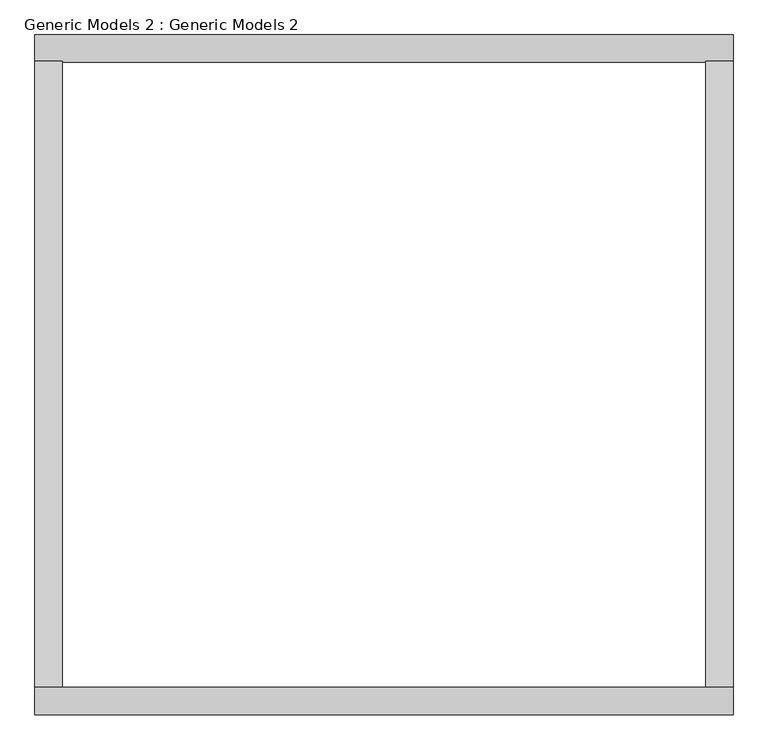
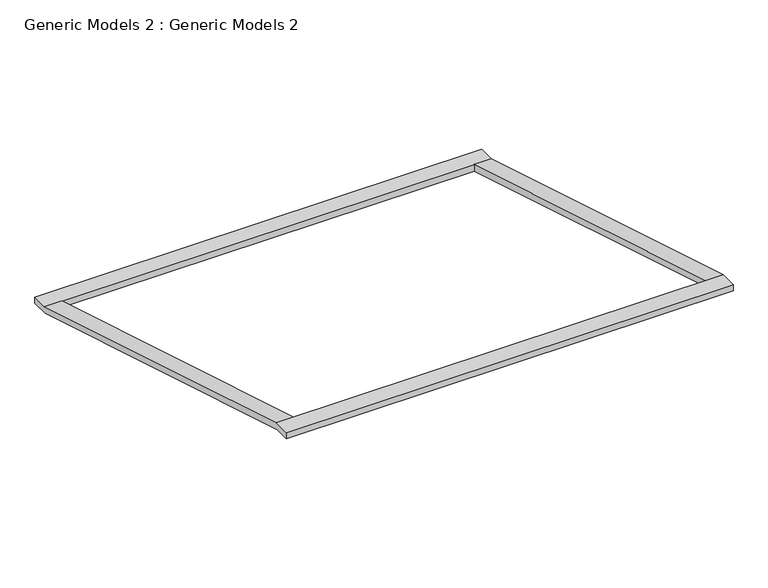
"""IFC4 building model written with IfcOpenShell, lengths in millimetres: proxy geometry, Generic Models 2 : Generic Models 2."""

from ifc_helpers import new_model, si_unit, origin, place, context, project, spatial, faceted_brep, source, transform, mapped, element, save


def generic_models_2_generic_models_2_a8a5c699(model_context):
    return source(origin(), model_context, "Body", "Brep", [
        faceted_brep([(-6932.1694663, 8357.0487531, 2820.0), (-6932.1694663, 8357.0487531, 2650.0), (-6932.1694663, 7901.0093292, 2650.0), (-6932.1694663, -2584.9906708, 5799.3953426), (-6932.1694663, -2996.9512469, 5799.3953426), (-6932.1694663, -2996.9512469, 5969.3953426), (-6932.1694663, -2542.9512469, 5969.3953426), (-6932.1694663, -2542.9512469, 5964.2710697), (-6932.1694663, 7925.987343, 2820.0), (4721.8305337, 8357.0487531, 2650.0), (4721.8305337, 8357.0487531, 2820.0), (4721.8305337, 7925.987343, 2820.0), (4721.8305337, -2542.9512469, 5964.2710697), (4721.8305337, -2542.9512469, 5969.3953426), (4721.8305337, -2996.9512469, 5969.3953426), (4721.8305337, -2996.9512469, 5799.3953426), (4721.8305337, -2584.9906708, 5799.3953426), (4721.8305337, 7901.0093292, 2650.0), (-6478.1694663, 7923.0487531, 2650.0), (-6478.1694663, 7923.0487531, 2800.0), (4267.8305337, 7923.0487531, 2800.0), (4267.8305337, 7923.0487531, 2650.0), (-6912.1694663, 7923.0487531, 2800.0), (-6498.1694663, 7923.0487531, 2800.0), (-6498.1694663, 7923.0487531, 2650.0), (-6912.1694663, 7923.0487531, 2650.0), (4287.8305337, 7923.0487531, 2800.0), (4701.8305337, 7923.0487531, 2800.0), (4701.8305337, 7923.0487531, 2650.0), (4287.8305337, 7923.0487531, 2650.0), (4701.8305337, 7901.0093292, 2650.0), (4701.8305337, 7903.0487531, 2650.0), (4287.8305337, 7903.0487531, 2650.0), (4287.8305337, 7901.0093292, 2650.0), (4267.8305337, 7901.0093292, 2650.0), (4267.8305337, 7903.0487531, 2650.0), (-6478.1694663, 7903.0487531, 2650.0), (-6478.1694663, 7901.0093292, 2650.0), (-6498.1694663, 7901.0093292, 2650.0), (-6498.1694663, 7903.0487531, 2650.0), (-6912.1694663, 7903.0487531, 2650.0), (-6912.1694663, 7901.0093292, 2650.0), (-6498.1694663, 8337.0487531, 2650.0), (-6912.1694663, 8337.0487531, 2650.0), (4267.8305337, 8337.0487531, 2650.0), (-6478.1694663, 8337.0487531, 2650.0), (4701.8305337, 8337.0487531, 2650.0), (4287.8305337, 8337.0487531, 2650.0), (-6478.1694663, 7903.0487531, 2820.0), (4267.8305337, 7903.0487531, 2820.0), (-6498.1694663, 7903.0487531, 2806.0068574), (-6912.1694663, 7903.0487531, 2806.0068574), (4701.8305337, 7903.0487531, 2806.0068574), (4287.8305337, 7903.0487531, 2806.0068574), (-6478.1694663, 7925.987343, 2820.0), (4267.8305337, 7925.987343, 2820.0), (-6478.1694663, 8337.0487531, 2800.0), (4267.8305337, 8337.0487531, 2800.0), (-6498.1694663, 8337.0487531, 2800.0), (-6912.1694663, 8337.0487531, 2800.0), (4701.8305337, 8337.0487531, 2800.0), (4287.8305337, 8337.0487531, 2800.0), (-6498.1694663, -2584.9906708, 5799.3953426), (-6498.1694663, -2976.9512469, 5799.3953426), (-6498.1694663, -2976.9512469, 5949.3953426), (-6498.1694663, -2562.9512469, 5949.3953426), (-6498.1694663, -2562.9512469, 5799.3953426), (-6498.1694663, -2542.9512469, 5799.3953426), (-6498.1694663, -2542.9512469, 5943.3884851), (-6478.1694663, -2976.9512469, 5799.3953426), (-6478.1694663, -2584.9906708, 5799.3953426), (-6478.1694663, -2542.9512469, 5964.2710697), (-6478.1694663, -2542.9512469, 5799.3953426), (-6478.1694663, -2562.9512469, 5799.3953426), (-6478.1694663, -2562.9512469, 5949.3953426), (-6478.1694663, -2976.9512469, 5949.3953426), (-6912.1694663, -2562.9512469, 5949.3953426), (-6912.1694663, -2976.9512469, 5949.3953426), (-6912.1694663, -2976.9512469, 5799.3953426), (-6912.1694663, -2584.9906708, 5799.3953426), (-6912.1694663, -2542.9512469, 5943.3884851), (-6912.1694663, -2542.9512469, 5799.3953426), (-6912.1694663, -2562.9512469, 5799.3953426), (4267.8305337, -2976.9512469, 5949.3953426), (4267.8305337, -2976.9512469, 5799.3953426), (4701.8305337, -2976.9512469, 5799.3953426), (4287.8305337, -2976.9512469, 5799.3953426), (4287.8305337, -2976.9512469, 5949.3953426), (4701.8305337, -2976.9512469, 5949.3953426), (4267.8305337, -2562.9512469, 5949.3953426), (4287.8305337, -2562.9512469, 5949.3953426), (4701.8305337, -2562.9512469, 5949.3953426), (4267.8305337, -2562.9512469, 5799.3953426), (4287.8305337, -2562.9512469, 5799.3953426), (4701.8305337, -2562.9512469, 5799.3953426), (4267.8305337, -2542.9512469, 5799.3953426), (4287.8305337, -2542.9512469, 5799.3953426), (4701.8305337, -2542.9512469, 5799.3953426), (4267.8305337, -2542.9512469, 5964.2710697), (4287.8305337, -2542.9512469, 5943.3884851), (4701.8305337, -2542.9512469, 5943.3884851), (4267.8305337, -2584.9906708, 5799.3953426), (4287.8305337, -2584.9906708, 5799.3953426), (4701.8305337, -2584.9906708, 5799.3953426)], [[[0, 1, 2, 3, 4, 5, 6, 7, 8]], [[9, 10, 11, 12, 13, 14, 15, 16, 17]], [[18, 19, 20, 21]], [[22, 23, 24, 25]], [[26, 27, 28, 29]], [[9, 17, 30, 31, 32, 33, 34, 35, 36, 37, 38, 39, 40, 41, 2, 1], [24, 42, 43, 25], [18, 21, 44, 45], [29, 28, 46, 47]], [[48, 36, 35, 49]], [[40, 39, 50, 51]], [[32, 31, 52, 53]], [[11, 10, 0, 8, 54, 48, 49, 55]], [[1, 0, 10, 9]], [[56, 45, 44, 57]], [[43, 42, 58, 59]], [[47, 46, 60, 61]], [[19, 56, 57, 20]], [[23, 22, 59, 58]], [[27, 26, 61, 60]], [[42, 24, 23, 58]], [[38, 62, 63, 64, 65, 66, 67, 68, 50, 39]], [[18, 45, 56, 19]], [[69, 70, 37, 36, 48, 54, 71, 72, 73, 74, 75]], [[25, 43, 59, 22]], [[76, 77, 78, 79, 41, 40, 51, 80, 81, 82]], [[62, 38, 37, 70]], [[54, 8, 7, 71]], [[3, 2, 41, 79]], [[51, 50, 68, 80]], [[65, 64, 77, 76]], [[69, 75, 83, 84]], [[63, 78, 77, 64]], [[85, 86, 87, 88]], [[75, 74, 89, 83]], [[88, 87, 90, 91]], [[74, 73, 92, 89]], [[82, 66, 65, 76]], [[91, 90, 93, 94]], [[73, 72, 95, 92]], [[66, 82, 81, 67]], [[94, 93, 96, 97]], [[6, 13, 12, 98, 95, 72, 71, 7]], [[67, 81, 80, 68]], [[97, 96, 99, 100]], [[15, 14, 5, 4]], [[63, 62, 70, 69, 84, 101, 102, 86, 85, 103, 16, 15, 4, 3, 79, 78]], [[14, 13, 6, 5]], [[86, 102, 33, 32, 53, 99, 96, 93, 90, 87]], [[29, 47, 61, 26]], [[34, 101, 84, 83, 89, 92, 95, 98, 55, 49, 35]], [[44, 21, 20, 57]], [[30, 103, 85, 88, 91, 94, 97, 100, 52, 31]], [[46, 28, 27, 60]], [[33, 102, 101, 34]], [[12, 11, 55, 98]], [[17, 16, 103, 30]], [[99, 53, 52, 100]]]),
    ])


if __name__ == "__main__":
    model = new_model("IFC4")
    model_context = context("Model", 3, world=origin())
    ifc_project = project(units=[si_unit("LENGTHUNIT", "METRE", prefix="MILLI")], contexts=[model_context])
    site = spatial("IfcSite", under=ifc_project)
    building = spatial("IfcBuilding", under=site)
    placement = place(None, origin())
    generic_models_2_generic_models_2_shape = generic_models_2_generic_models_2_a8a5c699(model_context)
    element("IfcBuildingElementProxy", 1, Name="Generic Models 2 : Generic Models 2", ObjectType="Generic Models 2 : Generic Models 2", at=placement, inside=building, context=model_context, shape_type="MappedRepresentation", body=[
        mapped(generic_models_2_generic_models_2_shape, transform((0.0, 0.0, 0.0), x_axis=(1.0, 0.0, 0.0), y_axis=(0.0, 1.0, 0.0), z_axis=(0.0, 0.0, 1.0))),
    ])
    save(model, "model.ifc")
